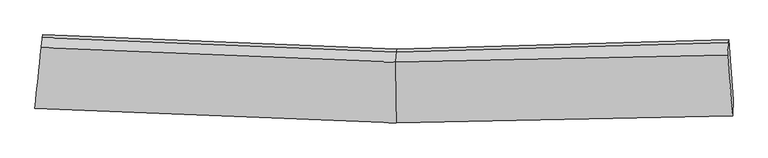
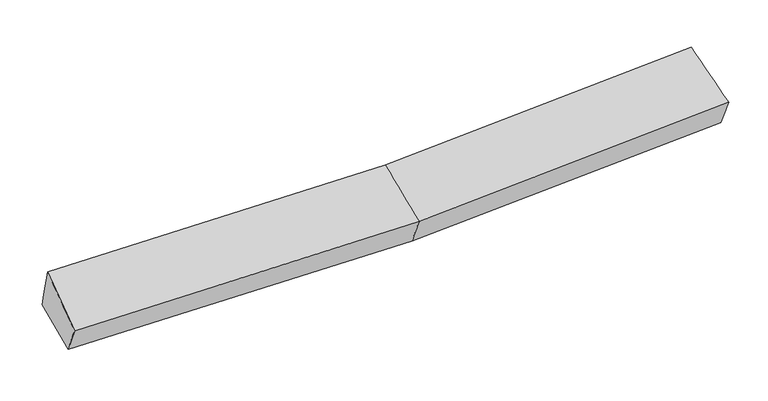
"""IFC4 building model written with IfcOpenShell, lengths in millimetres: proxy geometry."""

from ifc_helpers import new_model, si_unit, frame, origin, place, context, project, spatial, source, transform, mapped, element, save
from ifc_brep_helpers import plane_surface, spline_surface, advanced_brep


def generic_models_0bb9f5df(model_context):
    return source(origin(), model_context, "Body", "AdvancedBrep", [
        advanced_brep(
        [(-4025.5826296, -2015.9321277, 1978.2010679), (-4004.7489861, -1849.8246463, 1627.0262155), (88.5168387, -2017.7552668, 1699.5487666), (77.2948592, -2184.3686172, 2050.9226012), (-3934.7528069, -1179.5763492, 1775.241448), (83.1762161, -1343.5419375, 1846.2043644), (-3939.7786872, -1213.6056928, 1931.5000296), (78.1503358, -1377.5712811, 2002.462946), (-3955.0581367, -1326.8298214, 2290.8739119), (66.6200195, -1490.9927293, 2361.9144434), (3849.2083525, -1270.650448, 2131.6803734), (3840.4888626, -1408.8216059, 2511.4309833), (3898.2632932, -2100.6948458, 2202.2812865), (3903.9846107, -1919.1912783, 1828.3746648), (3854.2342328, -1236.6211044, 1975.4217919)],
        [
            (0, 1),
            (1, 2),
            (2, 3),
            (3, 0),
            (1, 4),
            (4, 5),
            (5, 1),
            (4, 6),
            (6, 7),
            (7, 5),
            (6, 8),
            (8, 9),
            (9, 7),
            (8, 0),
            (3, 9),
            (10, 11),
            (11, 12),
            (12, 13),
            (13, 14),
            (14, 10),
            (5, 2),
            (9, 11),
            (10, 7),
            (3, 12),
            (2, 13),
            (5, 14),
        ],
        [
            spline_surface(1, 1, [[(-4025.5826296, -2015.9321277, 1978.2010679), (77.2948592, -2184.3686172, 2050.9226012)], [(-4004.7489861, -1849.8246463, 1627.0262155), (88.5168387, -2017.7552668, 1699.5487666)]], [2, 2], [2, 2], [0.0, 1.0], [0.0, 1.0]),
            plane_surface(frame((-3969.7508965, -1514.7004978, 1701.1338318), z_axis=(0.02595204117143163, 0.21326116793706767, -0.9766504829308972), x_axis=(0.10144373788206776, 0.9713743436275196, 0.21480468474109207))),
            plane_surface(frame((-3937.2657471, -1196.591021, 1853.3707388), z_axis=(0.03606280770609271, 0.9762209336925038, 0.2137572513878528), x_axis=(-0.03141175182435533, -0.21268339723565122, 0.9766161346136093))),
            spline_surface(1, 1, [[(-3939.7786872, -1213.6056928, 1931.5000296), (78.1503358, -1377.5712811, 2002.462946)], [(-3955.0581367, -1326.8298214, 2290.8739119), (66.6200195, -1490.9927293, 2361.9144434)]], [2, 2], [2, 2], [0.0, 1.0], [0.0, 1.0]),
            spline_surface(1, 1, [[(-3955.0581367, -1326.8298214, 2290.8739119), (66.6200195, -1490.9927293, 2361.9144434)], [(-4025.5826296, -2015.9321277, 1978.2010679), (77.2948592, -2184.3686172, 2050.9226012)]], [2, 2], [2, 2], [0.0, 1.0], [0.0, 1.0]),
            plane_surface(frame((3869.2358704, -1587.1958565, 2129.83782), z_axis=(0.9969764676938451, 0.06281144853111367, 0.04574543472442772), x_axis=(-0.021572204121889996, -0.3418383970968075, 0.9395111230206957))),
            plane_surface(frame((-3971.9842493, -1517.1537275, 1920.5685346), z_axis=(-0.9943452468292082, 0.10581898261893921, -0.00893717100952722), x_axis=(0.09279538539092633, 0.906713560929461, 0.4114116367785019))),
            plane_surface(frame((-4004.7489861, -1849.8246463, 1627.0262155), z_axis=(0.026031300187698173, 0.21267556485149114, -0.9767760621174321), x_axis=(-0.00774003271797579, 0.9771207670846866, 0.2125443446092092))),
            spline_surface(1, 1, [[(78.1503358, -1377.5712811, 2002.462946), (3849.2083525, -1270.650448, 2131.6803734)], [(66.6200195, -1490.9927293, 2361.9144434), (3840.4888626, -1408.8216059, 2511.4309833)]], [2, 2], [2, 2], [0.0, 1.0], [0.0, 1.0]),
            spline_surface(1, 1, [[(66.6200195, -1490.9927293, 2361.9144434), (3840.4888626, -1408.8216059, 2511.4309833)], [(77.2948592, -2184.3686172, 2050.9226012), (3898.2632932, -2100.6948458, 2202.2812865)]], [2, 2], [2, 2], [0.0, 1.0], [0.0, 1.0]),
            spline_surface(1, 1, [[(77.2948592, -2184.3686172, 2050.9226012), (3898.2632932, -2100.6948458, 2202.2812865)], [(88.5168387, -2017.7552668, 1699.5487666), (3903.9846107, -1919.1912783, 1828.3746648)]], [2, 2], [2, 2], [0.0, 1.0], [0.0, 1.0]),
            spline_surface(1, 1, [[(88.5168387, -2017.7552668, 1699.5487666), (3903.9846107, -1919.1912783, 1828.3746648)], [(83.1762161, -1343.5419375, 1846.2043644), (3854.2342328, -1236.6211044, 1975.4217919)]], [2, 2], [2, 2], [0.0, 1.0], [0.0, 1.0]),
            plane_surface(frame((80.6632759, -1360.5566093, 1924.3336552), z_axis=(-0.034943453992418404, 0.9767346712146475, 0.21158529502376658), x_axis=(-0.031411751824410486, -0.21268339723575894, 0.976616134613584))),
        ],
        [
            (0, [[1, 2, 3, 4]]),
            (1, [[5, 6, 7]]),
            (2, [[8, 9, 10, -6]]),
            (3, [[11, 12, 13, -9]]),
            (4, [[14, -4, 15, -12]]),
            (5, [[16, 17, 18, 19, 20]]),
            (6, [[-14, -11, -8, -5, -1]]),
            (7, [[21, -2, -7]]),
            (8, [[-13, 22, -16, 23]]),
            (9, [[-15, 24, -17, -22]]),
            (10, [[-3, 25, -18, -24]]),
            (11, [[-21, 26, -19, -25]]),
            (12, [[-10, -23, -20, -26]]),
        ],
    ),
    ])


if __name__ == "__main__":
    model = new_model("IFC4")
    model_context = context("Model", 3, world=origin())
    ifc_project = project(units=[si_unit("LENGTHUNIT", "METRE", prefix="MILLI")], contexts=[model_context])
    site = spatial("IfcSite", under=ifc_project)
    building = spatial("IfcBuilding", under=site)
    placement = place(None, origin())
    generic_models_shape = generic_models_0bb9f5df(model_context)
    element("IfcBuildingElementProxy", 1, Name="Generic Models", at=placement, inside=building, context=model_context, shape_type="MappedRepresentation", body=[
        mapped(generic_models_shape, transform((0.0, 0.0, 0.0), x_axis=(1.0, 0.0, 0.0), y_axis=(0.0, 1.0, 0.0), z_axis=(0.0, 0.0, 1.0))),
    ])
    save(model, "model.ifc")
